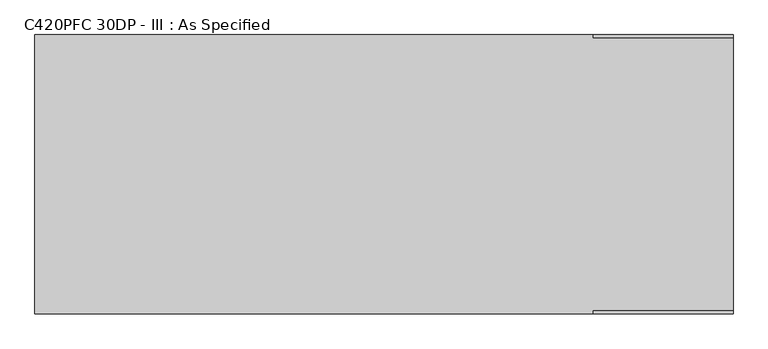
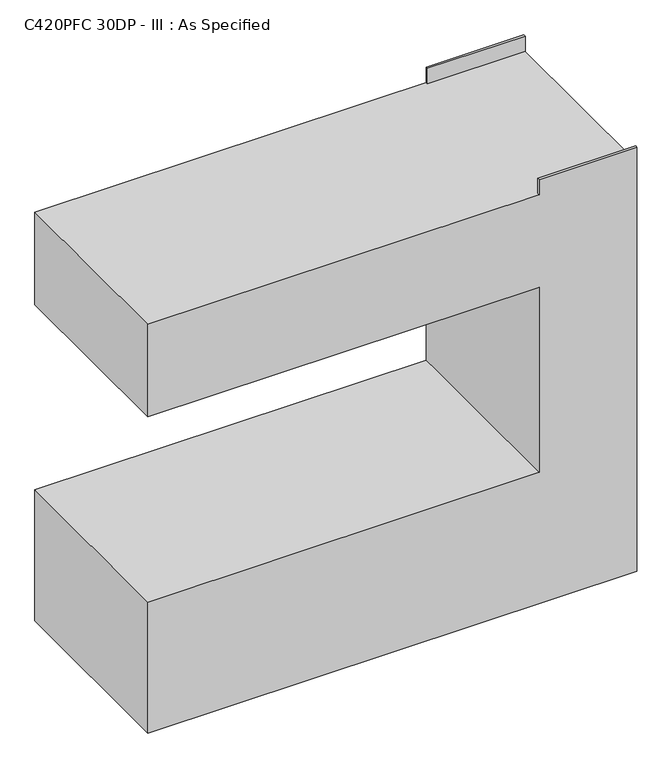
"""IFC4 building model written with IfcOpenShell, lengths in millimetres: proxy geometry, C420PFC 30DP - III : As Specified."""

from ifc_helpers import new_model, si_unit, frame, origin, place, context, project, spatial, polyline, outline, extrude, faceted_brep, source, transform, mapped, element, save


def c420pfc_30dp_iii_as_specified_63d29660(model_context):
    return source(origin(), model_context, "Body", "SolidModel", [
        extrude(outline(polyline([(457.2, 298.45), (457.2, 304.8), (762.0, 304.8), (762.0, 298.45), (457.2, 298.45)])), frame((0.0, 0.0, 1346.2), z_axis=(0.0, 0.0, 1.0), x_axis=(1.0, 0.0, 0.0)), (0.0, 0.0, 1.0), 50.8),
        faceted_brep([(762.0, 304.8, 1346.2), (-762.0, 304.8, 1346.2), (-762.0, -304.8, 1346.2), (457.2, -304.8, 1346.2), (457.2, -298.45, 1346.2), (762.0, -298.45, 1346.2), (762.0, 304.8, 0.0), (762.0, -304.8, 0.0), (-762.0, -304.8, 0.0), (-762.0, 304.8, 0.0), (-762.0, 304.8, 431.8), (457.2, 304.8, 431.8), (457.2, 304.8, 1041.4), (-762.0, 304.8, 1041.4), (-762.0, -304.8, 1041.4), (-762.0, -304.8, 431.8), (762.0, -304.8, 1397.0), (457.2, -304.8, 1397.0), (457.2, -304.8, 1041.4), (457.2, -304.8, 431.8), (762.0, -298.45, 1397.0), (457.2, -298.45, 1397.0)], [[[0, 1, 2, 3, 4, 5]], [[6, 7, 8, 9]], [[1, 0, 6, 9, 10, 11, 12, 13]], [[2, 1, 13, 14]], [[9, 8, 15, 10]], [[8, 7, 16, 17, 3, 2, 14, 18, 19, 15]], [[16, 7, 6, 0, 5, 20]], [[19, 11, 10, 15]], [[11, 19, 18, 12]], [[12, 18, 14, 13]], [[17, 21, 4, 3]], [[21, 17, 16, 20]], [[4, 21, 20, 5]]]),
    ])


if __name__ == "__main__":
    model = new_model("IFC4")
    model_context = context("Model", 3, world=origin())
    ifc_project = project(units=[si_unit("LENGTHUNIT", "METRE", prefix="MILLI")], contexts=[model_context])
    site = spatial("IfcSite", under=ifc_project)
    building = spatial("IfcBuilding", under=site)
    placement = place(None, origin())
    c420pfc_30dp_iii_as_specified_shape = c420pfc_30dp_iii_as_specified_63d29660(model_context)
    element("IfcBuildingElementProxy", 1, Name="C420PFC 30DP - III : As Specified", ObjectType="C420PFC 30DP - III : As Specified", at=placement, inside=building, context=model_context, shape_type="MappedRepresentation", body=[
        mapped(c420pfc_30dp_iii_as_specified_shape, transform((0.0, 0.0, 0.0), x_axis=(1.0, 0.0, 0.0), y_axis=(0.0, 1.0, 0.0), z_axis=(0.0, 0.0, 1.0))),
    ])
    save(model, "model.ifc")
